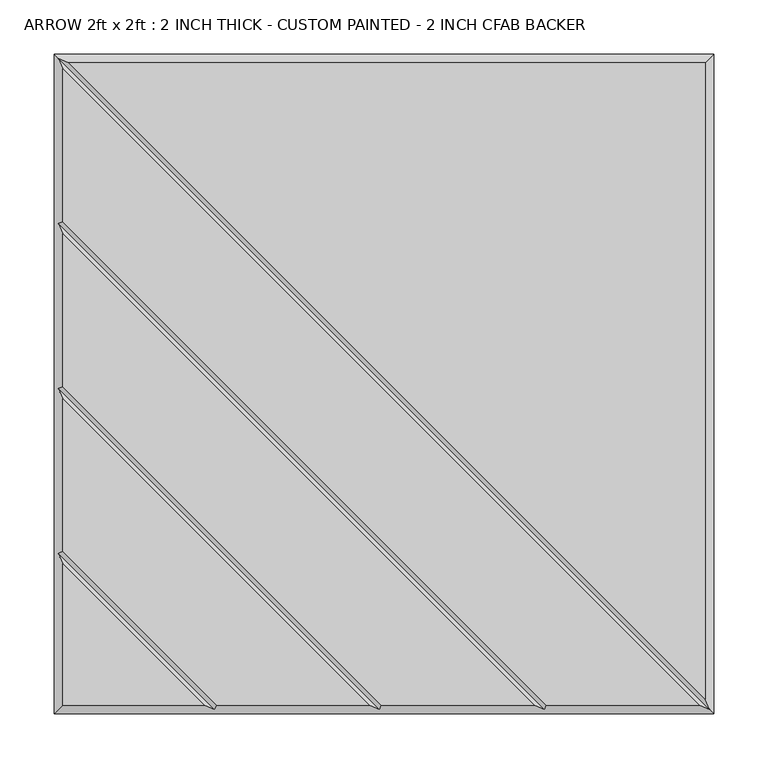
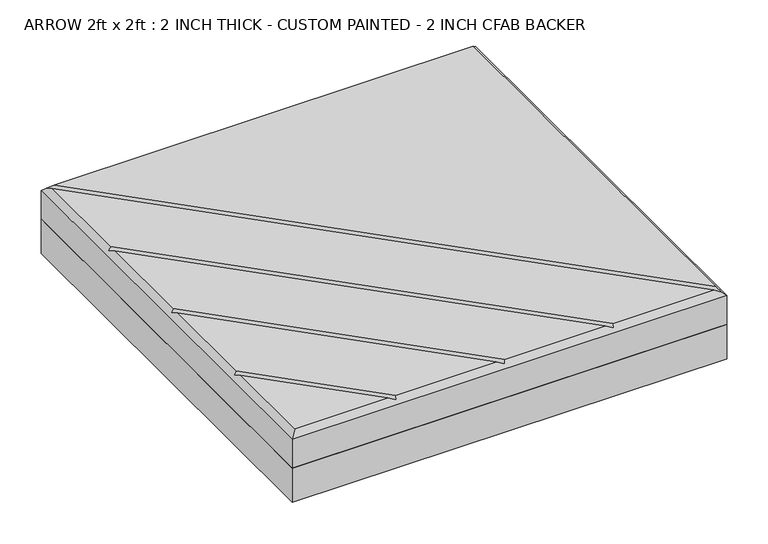
"""IFC4 building model written with IfcOpenShell, lengths in millimetres: proxy geometry, ARROW 2ft x 2ft : 2 INCH THICK - CUSTOM PAINTED - 2 INCH CFAB BACKER."""

from ifc_helpers import new_model, si_unit, frame, origin, place, context, project, spatial, polyline, outline, extrude, faceted_brep, source, transform, mapped, element, save


def arrow_2ft_x_2ft_2_inch_thick_custom_painted_2_inch_cfab_975fd380(model_context):
    return source(origin(), model_context, "Body", "SolidModel", [
        extrude(outline(polyline([(-304.8, 304.8), (304.8, 304.8), (304.8, -304.8), (-304.8, -304.8), (-304.8, 304.8)])), frame((0.0, 0.0, -50.8), z_axis=(0.0, 0.0, 1.0), x_axis=(1.0, 0.0, 0.0)), (0.0, 0.0, 1.0), 50.8),
        faceted_brep([(296.799, 296.799, 50.8), (-291.1414386, 296.799, 50.8), (296.799, -291.1414386, 50.8), (291.1414386, -296.799, 50.8), (-296.799, 291.1414386, 50.8), (-296.799, 150.0565868, 50.8), (150.0565868, -296.799, 50.8), (138.741464, -296.799, 50.8), (-296.799, 138.741464, 50.8), (-296.799, -2.3434132, 50.8), (-2.3434132, -296.799, 50.8), (-13.658536, -296.799, 50.8), (-296.799, -13.658536, 50.8), (-296.799, -154.7434132, 50.8), (-154.7434132, -296.799, 50.8), (-296.799, -166.058536, 50.8), (-296.799, -296.799, 50.8), (-166.058536, -296.799, 50.8), (-304.8, 304.8, 0.0), (304.8, 304.8, 0.0), (304.8, -304.8, 0.0), (-304.8, -304.8, 0.0), (-304.8, -304.8, 42.799), (-304.8, 304.8, 42.799), (304.8, -304.8, 42.799), (304.8, 304.8, 42.799), (-300.7995, 300.7995, 46.7995), (-300.7995, -156.4004746, 46.7995), (-300.7995, -4.0004746, 46.7995), (-300.7995, 148.3995254, 46.7995), (300.7995, -300.7995, 46.7995), (148.3995254, -300.7995, 46.7995), (-4.0004746, -300.7995, 46.7995), (-156.4004746, -300.7995, 46.7995)], [[[0, 1, 2]], [[3, 4, 5, 6]], [[7, 8, 9, 10]], [[11, 12, 13, 14]], [[15, 16, 17]], [[18, 19, 20, 21]], [[18, 21, 22, 23]], [[21, 20, 24, 22]], [[20, 19, 25, 24]], [[19, 18, 23, 25]], [[0, 25, 23, 26, 1]], [[22, 16, 15, 27, 13, 12, 28, 9, 8, 29, 5, 4, 26, 23]], [[16, 22, 24, 30, 3, 6, 31, 7, 10, 32, 11, 14, 33, 17]], [[25, 0, 2, 30, 24]], [[26, 30, 2, 1]], [[30, 26, 4, 3]], [[29, 31, 6, 5]], [[31, 29, 8, 7]], [[28, 32, 10, 9]], [[32, 28, 12, 11]], [[27, 33, 14, 13]], [[33, 27, 15, 17]]]),
    ])


if __name__ == "__main__":
    model = new_model("IFC4")
    model_context = context("Model", 3, world=origin())
    ifc_project = project(units=[si_unit("LENGTHUNIT", "METRE", prefix="MILLI")], contexts=[model_context])
    site = spatial("IfcSite", under=ifc_project)
    building = spatial("IfcBuilding", under=site)
    placement = place(None, origin())
    arrow_2ft_x_2ft_2_inch_thick_custom_painted_2_inch_cfab_shape = arrow_2ft_x_2ft_2_inch_thick_custom_painted_2_inch_cfab_975fd380(model_context)
    element("IfcBuildingElementProxy", 1, Name="ARROW 2ft x 2ft : 2 INCH THICK - CUSTOM PAINTED - 2 INCH CFAB BACKER", ObjectType="ARROW 2ft x 2ft : 2 INCH THICK - CUSTOM PAINTED - 2 INCH CFAB BACKER", at=placement, inside=building, context=model_context, shape_type="MappedRepresentation", body=[
        mapped(arrow_2ft_x_2ft_2_inch_thick_custom_painted_2_inch_cfab_shape, transform((0.0, 0.0, 0.0), x_axis=(1.0, 0.0, 0.0), y_axis=(0.0, 1.0, 0.0), z_axis=(0.0, 0.0, 1.0))),
    ])
    save(model, "model.ifc")
